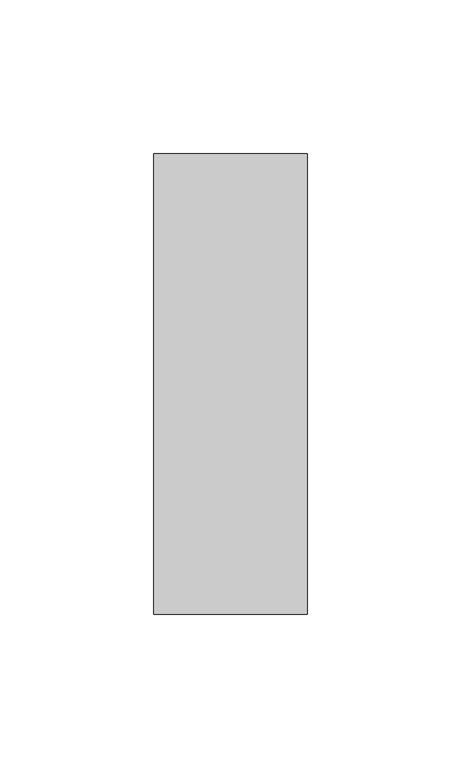
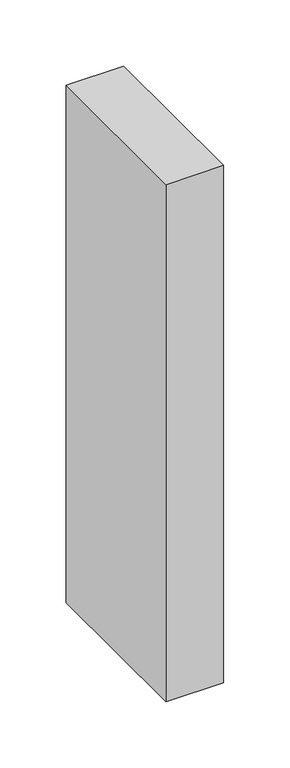
"""IFC4 building model written with IfcOpenShell, lengths in millimetres: member geometry."""

from ifc_helpers import new_model, si_unit, frame, origin, place, context, project, spatial, polyline, outline, extrude, source, transform, mapped, element, save


def member_42d59fea(model_context):
    return source(origin(), model_context, "Body", "SweptSolid", [
        extrude(outline(polyline([(0.0, 75.0), (0.0, -75.0), (-50.0, -75.0), (-50.0, 75.0), (0.0, 75.0)])), frame((0.0, 0.0, -475.0), z_axis=(0.0, 0.0, 1.0), x_axis=(1.0, 0.0, 0.0)), (0.0, 0.0, 1.0), 475.0),
    ])


if __name__ == "__main__":
    model = new_model("IFC4")
    model_context = context("Model", 3, world=origin())
    ifc_project = project(units=[si_unit("LENGTHUNIT", "METRE", prefix="MILLI")], contexts=[model_context])
    site = spatial("IfcSite", under=ifc_project)
    building = spatial("IfcBuilding", under=site)
    placement = place(None, origin())
    member_shape = member_42d59fea(model_context)
    element("IfcMember", 1, at=placement, inside=building, context=model_context, shape_type="MappedRepresentation", body=[
        mapped(member_shape, transform((0.0, 0.0, 0.0), x_axis=(1.0, 0.0, 0.0), y_axis=(0.0, 1.0, 0.0), z_axis=(0.0, 0.0, 1.0))),
    ])
    save(model, "model.ifc")
